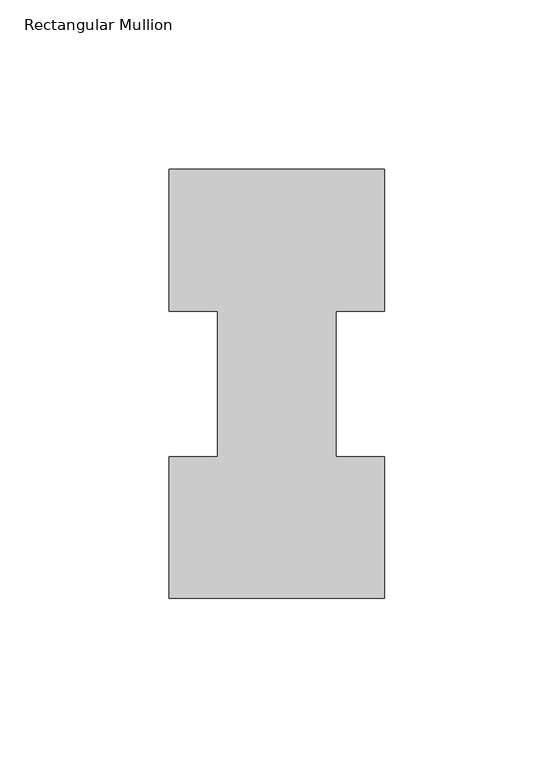
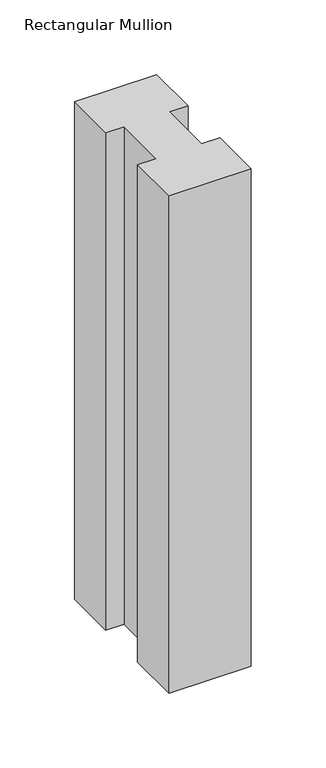
"""IFC4 building model written with IfcOpenShell, lengths in millimetres: member geometry, Rectangular Mullion."""

from ifc_helpers import new_model, si_unit, frame, origin, place, context, project, spatial, polyline, outline, extrude, source, transform, mapped, element, save


def rectangular_mullion_55c2aebe(model_context):
    return source(origin(), model_context, "Body", "SweptSolid", [
        extrude(outline(polyline([(-63.5, -0.0373063), (-63.5, 41.7837937), (-49.2125, 41.7837937), (-49.2125, 84.6335938), (-63.5, 84.6335938), (-63.5, 126.4546937), (0.0, 126.4546937), (0.0, 84.6335938), (-14.2748, 84.6335938), (-14.2748, 41.7837937), (0.0, 41.7837937), (0.0, -0.0373063), (-63.5, -0.0373063)])), frame((0.0, 0.0, -406.4), z_axis=(0.0, 0.0, 1.0), x_axis=(1.0, 0.0, 0.0)), (0.0, 0.0, 1.0), 406.4),
    ])


if __name__ == "__main__":
    model = new_model("IFC4")
    model_context = context("Model", 3, world=origin())
    ifc_project = project(units=[si_unit("LENGTHUNIT", "METRE", prefix="MILLI")], contexts=[model_context])
    site = spatial("IfcSite", under=ifc_project)
    building = spatial("IfcBuilding", under=site)
    placement = place(None, origin())
    rectangular_mullion_shape = rectangular_mullion_55c2aebe(model_context)
    element("IfcMember", 1, ObjectType="Rectangular Mullion", at=placement, inside=building, context=model_context, shape_type="MappedRepresentation", body=[
        mapped(rectangular_mullion_shape, transform((0.0, 0.0, 0.0), x_axis=(1.0, 0.0, 0.0), y_axis=(0.0, 1.0, 0.0), z_axis=(0.0, 0.0, 1.0))),
    ])
    save(model, "model.ifc")
